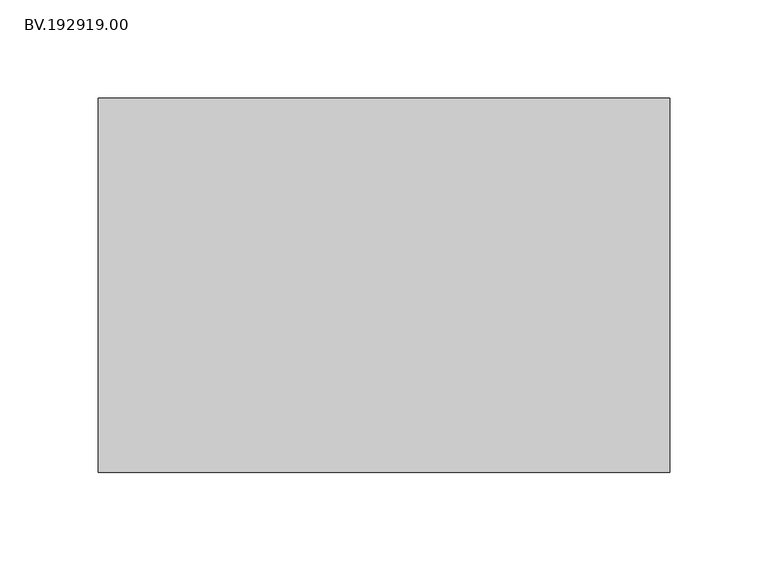
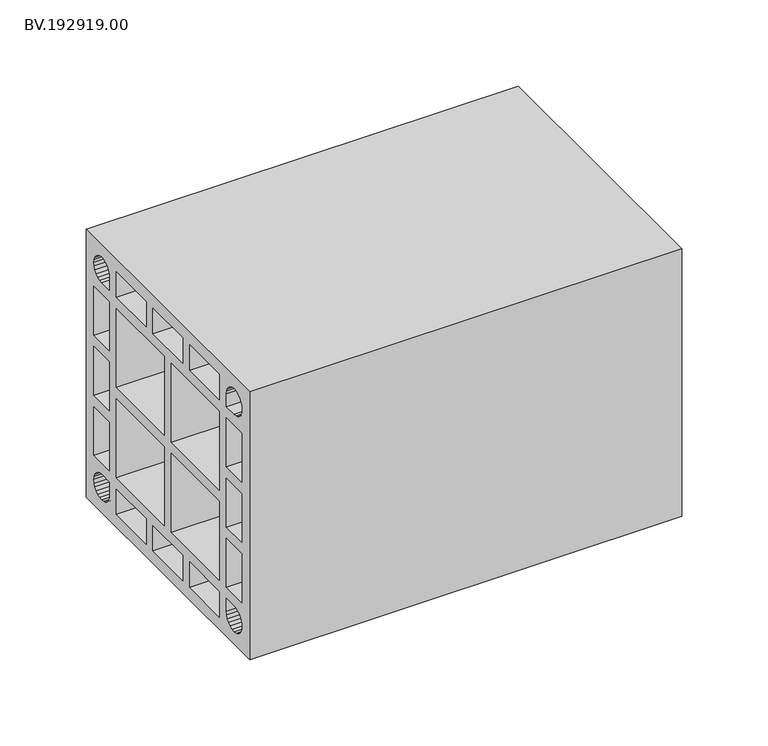
"""IFC4 building model written with IfcOpenShell, lengths in millimetres: proxy geometry, BV.192919.00."""

from ifc_helpers import new_model, si_unit, frame, origin, place, context, project, spatial, polyline, outline, extrude, source, transform, mapped, element, save


def bv_192919_00_d396e14e(model_context):
    return source(origin(), model_context, "Body", "SweptSolid", [
        extrude(outline(polyline([(-95.0050293, 189.9977051), (95.0050293, 189.9977051), (95.0050293, 0.0), (-95.0050293, 0.0), (-95.0050293, 189.9977051)]), holes=[polyline([(60.0025146, 99.0079102), (60.0025146, 154.9858887), (3.9904541, 154.9858887), (3.9904541, 99.0079102), (60.0025146, 99.0079102)]), polyline([(3.9904541, 34.9932129), (60.0025146, 34.9932129), (60.0025146, 91.0083984), (3.9904541, 91.0083984), (3.9904541, 34.9932129)]), polyline([(-59.9839111, 91.0083984), (-59.9839111, 34.9932129), (-4.0090576, 34.9932129), (-4.0090576, 91.0083984), (-59.9839111, 91.0083984)]), polyline([(-4.0090576, 154.9858887), (-59.9839111, 154.9858887), (-59.9839111, 99.0079102), (-4.0090576, 99.0079102), (-4.0090576, 154.9858887)]), polyline([(-59.9839111, 162.9854004), (-25.3286865, 162.9854004), (-25.3286865, 180.9936035), (-59.9839111, 180.9936035), (-59.9839111, 162.9854004)]), polyline([(25.3286865, 162.9854004), (60.0025146, 162.9854004), (60.0025146, 180.9936035), (25.3286865, 180.9936035), (25.3286865, 162.9854004)]), polyline([(25.3286865, 26.9937012), (25.3286865, 8.985498), (60.0025146, 8.985498), (60.0025146, 26.9937012), (25.3286865, 26.9937012)]), polyline([(-25.3286865, 26.9937012), (-59.9839111, 26.9937012), (-59.9839111, 8.985498), (-25.3286865, 8.985498), (-25.3286865, 26.9937012)]), polyline([(-76.9875244, 26.9937012), (-79.3129639, 26.6960449), (-81.4895752, 25.7844727), (-83.3499268, 24.352002), (-84.7823975, 22.4916504), (-85.6939697, 20.3150391), (-85.991626, 17.9895996), (-85.6939697, 15.6641602), (-84.7823975, 13.4875488), (-83.3499268, 11.6271973), (-81.4895752, 10.1947266), (-79.3129639, 9.3017578), (-76.9875244, 8.985498), (-74.662085, 9.3017578), (-72.4854736, 10.1947266), (-70.6251221, 11.6271973), (-69.1926514, 13.4875488), (-68.2996826, 15.6641602), (-67.9834229, 17.9895996), (-67.9834229, 26.9937012), (-76.9875244, 26.9937012)]), polyline([(-67.9834229, 112.3280273), (-85.991626, 112.3280273), (-85.991626, 77.6510742), (-67.9834229, 77.6510742), (-67.9834229, 112.3280273)]), polyline([(-85.991626, 154.9858887), (-85.991626, 120.3275391), (-67.9834229, 120.3275391), (-67.9834229, 154.9858887), (-85.991626, 154.9858887)]), polyline([(-85.991626, 69.6515625), (-85.991626, 34.9932129), (-67.9834229, 34.9932129), (-67.9834229, 69.6515625), (-85.991626, 69.6515625)]), polyline([(-76.9875244, 162.9854004), (-67.9834229, 162.9854004), (-67.9834229, 171.989502), (-68.2996826, 174.3149414), (-69.1926514, 176.4915527), (-70.6251221, 178.3519043), (-72.4854736, 179.784375), (-74.662085, 180.6959473), (-76.9875244, 180.9936035), (-79.3129639, 180.6959473), (-81.4895752, 179.784375), (-83.3499268, 178.3519043), (-84.7823975, 176.4915527), (-85.6939697, 174.3149414), (-85.991626, 171.989502), (-85.6939697, 169.6640625), (-84.7823975, 167.4874512), (-83.3499268, 165.6270996), (-81.4895752, 164.1946289), (-79.3129639, 163.3016602), (-76.9875244, 162.9854004)]), polyline([(77.0061279, 162.9854004), (79.3315674, 163.3016602), (81.5081787, 164.1946289), (83.3685303, 165.6270996), (84.801001, 167.4874512), (85.6939697, 169.6640625), (86.0102295, 171.989502), (85.6939697, 174.3149414), (84.801001, 176.4915527), (83.3685303, 178.3519043), (81.5081787, 179.784375), (79.3315674, 180.6959473), (77.0061279, 180.9936035), (74.6806885, 180.6959473), (72.5040771, 179.784375), (70.6437256, 178.3519043), (69.2112549, 176.4915527), (68.3182861, 174.3149414), (68.0020264, 171.989502), (68.0020264, 162.9854004), (77.0061279, 162.9854004)]), polyline([(68.0020264, 120.3275391), (86.0102295, 120.3275391), (86.0102295, 154.9858887), (68.0020264, 154.9858887), (68.0020264, 120.3275391)]), polyline([(68.0020264, 112.3280273), (68.0020264, 77.6510742), (86.0102295, 77.6510742), (86.0102295, 112.3280273), (68.0020264, 112.3280273)]), polyline([(68.0020264, 69.6515625), (68.0020264, 34.9932129), (86.0102295, 34.9932129), (86.0102295, 69.6515625), (68.0020264, 69.6515625)]), polyline([(77.0061279, 26.9937012), (68.0020264, 26.9937012), (68.0020264, 17.9895996), (68.3182861, 15.6641602), (69.2112549, 13.4875488), (70.6437256, 11.6271973), (72.5040771, 10.1947266), (74.6806885, 9.3017578), (77.0061279, 8.985498), (79.3315674, 9.3017578), (81.5081787, 10.1947266), (83.3685303, 11.6271973), (84.801001, 13.4875488), (85.6939697, 15.6641602), (86.0102295, 17.9895996), (85.6939697, 20.3150391), (84.801001, 22.4916504), (83.3685303, 24.352002), (81.5081787, 25.7844727), (79.3315674, 26.6960449), (77.0061279, 26.9937012)]), polyline([(-17.3291748, 180.9936035), (-17.3291748, 162.9854004), (17.3291748, 162.9854004), (17.3291748, 180.9936035), (-17.3291748, 180.9936035)]), polyline([(-17.3291748, 26.9937012), (-17.3291748, 8.985498), (17.3291748, 8.985498), (17.3291748, 26.9937012), (-17.3291748, 26.9937012)])]), frame((5.0, 0.0, 0.0), z_axis=(1.0, 0.0, 0.0), x_axis=(0.0, 1.0, 0.0)), (0.0, 0.0, 1.0), 290.0),
    ])


if __name__ == "__main__":
    model = new_model("IFC4")
    model_context = context("Model", 3, world=origin())
    ifc_project = project(units=[si_unit("LENGTHUNIT", "METRE", prefix="MILLI")], contexts=[model_context])
    site = spatial("IfcSite", under=ifc_project)
    building = spatial("IfcBuilding", under=site)
    placement = place(None, origin())
    bv_192919_00_shape = bv_192919_00_d396e14e(model_context)
    element("IfcBuildingElementProxy", 1, Name="BV.192919.00", ObjectType="BV.192919.00", at=placement, inside=building, context=model_context, shape_type="MappedRepresentation", body=[
        mapped(bv_192919_00_shape, transform((0.0, 0.0, 0.0), x_axis=(1.0, 0.0, 0.0), y_axis=(0.0, 1.0, 0.0), z_axis=(0.0, 0.0, 1.0))),
    ])
    save(model, "model.ifc")
